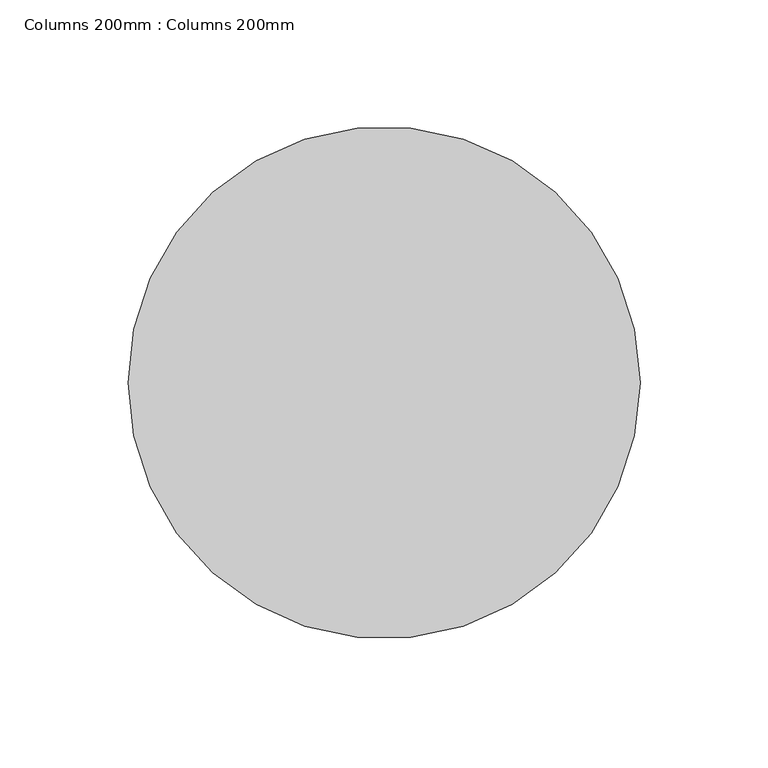
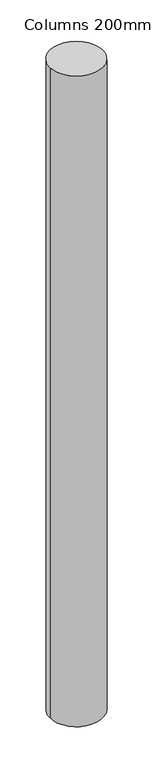
"""IFC4 building model written with IfcOpenShell, lengths in millimetres: column geometry, Columns 200mm : Columns 200mm."""

from ifc_helpers import new_model, si_unit, point, frame_2d, origin, origin_with_axes, place, context, project, spatial, circle_curve, trimmed, segment, composite_curve, outline, extrude, source, transform, mapped, element, save


def columns_200mm_columns_200mm_6120141d(model_context):
    return source(origin(), model_context, "Body", "SweptSolid", [
        extrude(outline(composite_curve([segment(trimmed(circle_curve(frame_2d((16100.0, 16085.6695973)), 100.0), [point((16000.0, 16085.6695973))], [point((16200.0, 16085.6695973))], False, "CARTESIAN"), True, "CONTINUOUS"), segment(trimmed(circle_curve(frame_2d((16100.0, 16085.6695973)), 100.0), [point((16200.0, 16085.6695973))], [point((16000.0, 16085.6695973))], False, "CARTESIAN"), True, "CONTINUOUS")], self_intersect=False)), origin_with_axes(), (0.0, 0.0, 1.0), 2600.0),
    ])


if __name__ == "__main__":
    model = new_model("IFC4")
    model_context = context("Model", 3, world=origin())
    ifc_project = project(units=[si_unit("LENGTHUNIT", "METRE", prefix="MILLI")], contexts=[model_context])
    site = spatial("IfcSite", under=ifc_project)
    building = spatial("IfcBuilding", under=site)
    placement = place(None, origin())
    columns_200mm_columns_200mm_shape = columns_200mm_columns_200mm_6120141d(model_context)
    element("IfcColumn", 1, ObjectType="Columns 200mm : Columns 200mm", at=placement, inside=building, context=model_context, shape_type="MappedRepresentation", body=[
        mapped(columns_200mm_columns_200mm_shape, transform((0.0, 0.0, 0.0), x_axis=(1.0, 0.0, 0.0), y_axis=(0.0, 1.0, 0.0), z_axis=(0.0, 0.0, 1.0))),
    ])
    save(model, "model.ifc")
